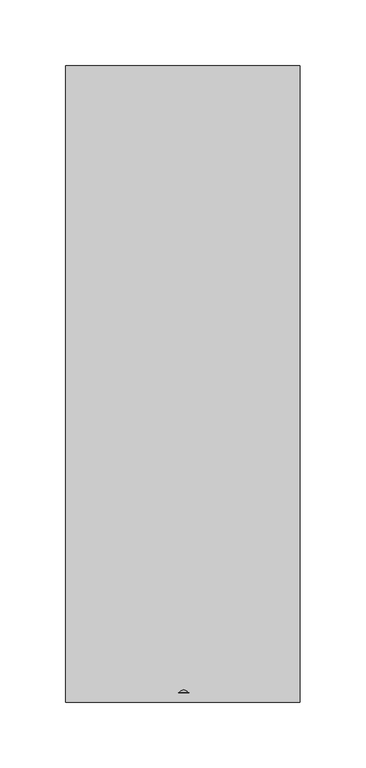
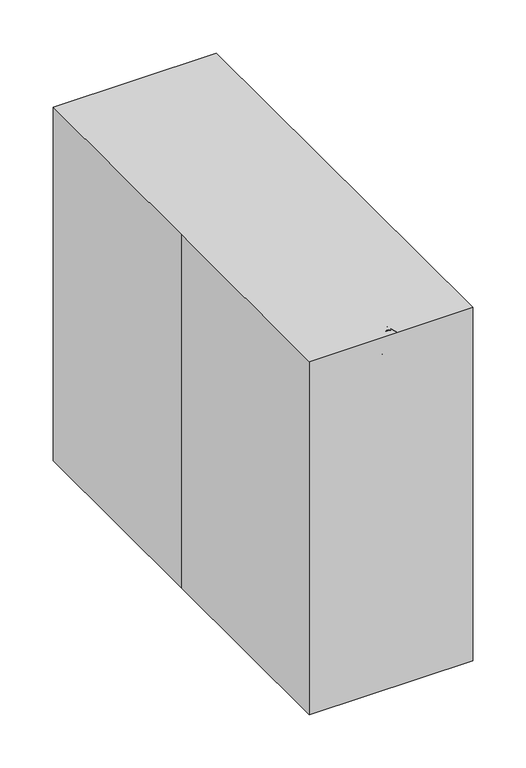
"""IFC4 building model written with IfcOpenShell, lengths in millimetres: proxy geometry."""

from ifc_helpers import new_model, si_unit, point, frame, frame_2d, origin, origin_with_axes, place, context, project, spatial, polyline, circle_curve, trimmed, segment, composite_curve, outline, extrude, source, transform, mapped, element, save


def specialty_equipment_b4015230(model_context):
    return source(origin(), model_context, "Body", "SweptSolid", [
        extrude(outline(composite_curve([segment(trimmed(circle_curve(frame_2d((27.4668071, 248.8434204)), 50.8), [point((-23.3331929, 248.8434204))], [point((78.2668071, 248.8434204))], False, "CARTESIAN"), True, "CONTINUOUS"), segment(trimmed(circle_curve(frame_2d((27.4668071, 248.8434204)), 50.8), [point((78.2668071, 248.8434204))], [point((-23.3331929, 248.8434204))], False, "CARTESIAN"), True, "CONTINUOUS")], self_intersect=False)), frame((31.75, 0.0, 0.0), z_axis=(1.0, 0.0, 0.0), x_axis=(0.0, 1.0, 0.0)), (0.0, 0.0, 1.0), 13.3872315),
        extrude(outline(composite_curve([segment(trimmed(circle_curve(frame_2d((0.0, -12.7)), 12.7), [point((0.0, -25.4))], [point((0.0, 0.0))], False, "CARTESIAN"), True, "CONTINUOUS"), segment(trimmed(circle_curve(frame_2d((0.0, -12.7)), 12.7), [point((0.0, 0.0))], [point((0.0, -25.4))], False, "CARTESIAN"), True, "CONTINUOUS")], self_intersect=False)), frame((13.2747856, -46.8909132, 346.6137868), z_axis=(0.0, -0.9702957262759947, 0.24192189559967492), x_axis=(0.0, -0.24192189559967492, -0.9702957262759947)), (0.0, 0.0, 1.0), 196.1933103),
        extrude(outline(composite_curve([segment(polyline([(-66.675, 0.0), (-66.675, -50.8), (-101.5999999, -50.8)]), True, "CONTINUOUS"), segment(trimmed(circle_curve(frame_2d((-101.5999999, -25.4)), 25.4), [point((-101.5999999, -50.8))], [point((-101.5999999, 0.0))], False, "CARTESIAN"), True, "CONTINUOUS"), segment(polyline([(-101.5999999, 0.0), (-66.675, 0.0)]), True, "CONTINUOUS")], self_intersect=False)), frame((25.4, -149.9434048, 262.1921938), z_axis=(0.0, -0.9702957262759947, 0.2419218955996749), x_axis=(0.0, -0.2419218955996749, -0.9702957262759947)), (0.0, 0.0, 1.0), 55.4771038),
        extrude(outline(polyline([(-89.0604133, 315.7285228), (-100.9870439, 267.8934204), (-190.7148672, 327.9850317), (-187.6424591, 340.3077874), (-89.0604133, 315.7285228)])), frame((-17.5867253, 0.0, 0.0), z_axis=(1.0, 0.0, 0.0), x_axis=(0.0, 1.0, 0.0)), (0.0, 0.0, 1.0), 34.4084483),
        extrude(outline(composite_curve([segment(polyline([(0.0, 0.0), (0.0, -63.5), (-101.6, -63.5)]), True, "CONTINUOUS"), segment(trimmed(circle_curve(frame_2d((-101.6, -31.75)), 31.75), [point((-101.6, -63.5))], [point((-101.6, 0.0))], False, "CARTESIAN"), True, "CONTINUOUS"), segment(polyline([(-101.6, 0.0), (0.0, 0.0)]), True, "CONTINUOUS")], self_intersect=False)), frame((31.75, 209.0397152, 172.6876494), z_axis=(0.0, -0.9702957262759947, 0.2419218955996749), x_axis=(0.0, -0.2419218955996749, -0.9702957262759947)), (0.0, 0.0, 1.0), 323.85),
        extrude(outline(polyline([(179.8668071, 203.2), (179.8668071, 0.0), (-119.5169074, 0.0), (-42.3831929, 77.1337145), (129.0668071, 77.1337145), (129.0668071, 203.2), (179.8668071, 203.2)])), frame((-63.5, 0.0, 0.0), z_axis=(1.0, 0.0, 0.0), x_axis=(0.0, 1.0, 0.0)), (0.0, 0.0, 1.0), 127.0),
        extrude(outline(polyline([(-88.9, 241.3), (88.9, 241.3), (88.9, -241.3), (-88.9, -241.3), (-88.9, 0.0), (-88.9, 241.3)])), origin_with_axes(), (0.0, 0.0, 1.0), 406.4),
    ])


if __name__ == "__main__":
    model = new_model("IFC4")
    model_context = context("Model", 3, world=origin())
    ifc_project = project(units=[si_unit("LENGTHUNIT", "METRE", prefix="MILLI")], contexts=[model_context])
    site = spatial("IfcSite", under=ifc_project)
    building = spatial("IfcBuilding", under=site)
    placement = place(None, origin())
    specialty_equipment_shape = specialty_equipment_b4015230(model_context)
    element("IfcBuildingElementProxy", 1, Name="Specialty Equipment", at=placement, inside=building, context=model_context, shape_type="MappedRepresentation", body=[
        mapped(specialty_equipment_shape, transform((0.0, 0.0, 0.0), x_axis=(1.0, 0.0, 0.0), y_axis=(0.0, 1.0, 0.0), z_axis=(0.0, 0.0, 1.0))),
    ])
    save(model, "model.ifc")
